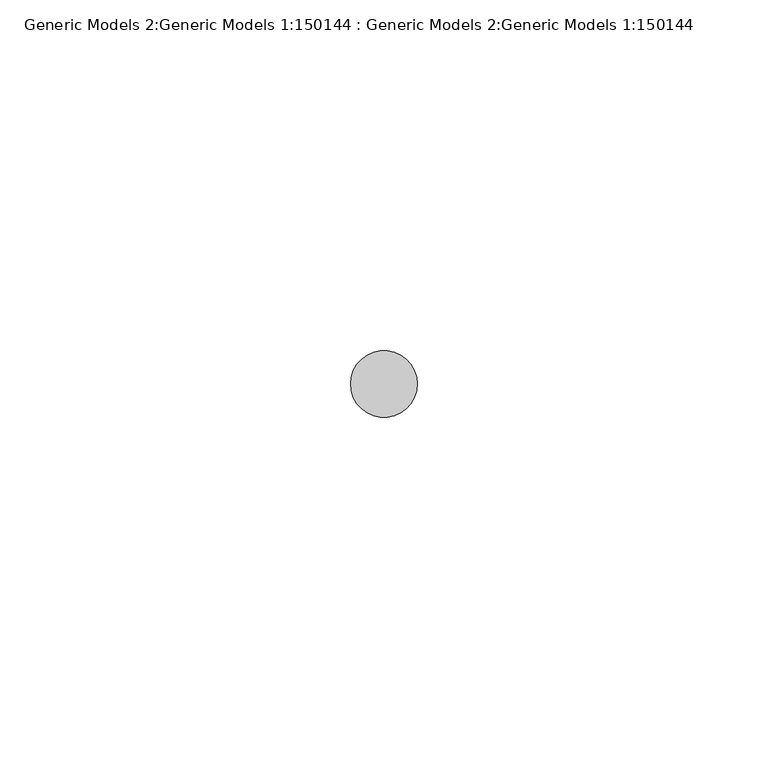
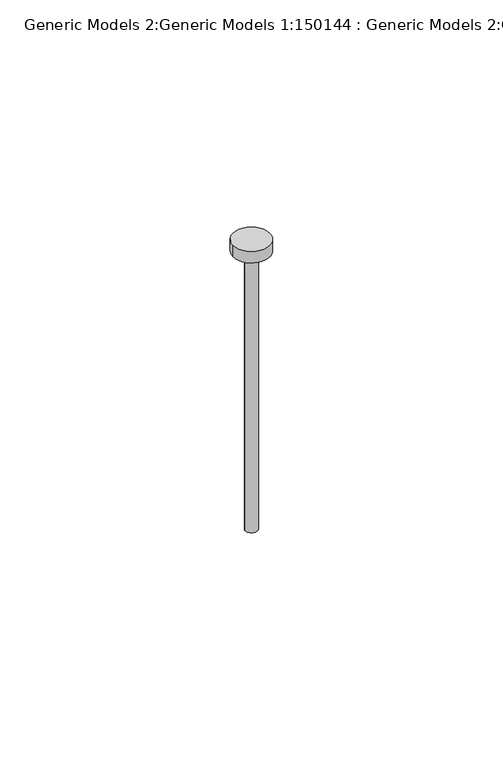
"""IFC4 building model written with IfcOpenShell, lengths in millimetres: proxy geometry, Generic Models 2:Generic Models 1:150144 : Generic Models 2:Generic Models 1:150144."""

from ifc_helpers import new_model, si_unit, point, frame, origin, origin_with_axes, origin_2d, place, context, project, spatial, circle_curve, trimmed, segment, composite_curve, outline, extrude, source, transform, mapped, element, save


def generic_models_2_generic_models_1_150144_generic_models_2_779fe50f(model_context):
    return source(origin(), model_context, "Body", "SweptSolid", [
        extrude(outline(composite_curve([segment(trimmed(circle_curve(origin_2d(), 4.7625), [point((-4.7625, 0.0))], [point((4.7625, 0.0))], False, "CARTESIAN"), True, "CONTINUOUS"), segment(trimmed(circle_curve(origin_2d(), 4.7625), [point((4.7625, 0.0))], [point((-4.7625, 0.0))], False, "CARTESIAN"), True, "CONTINUOUS")], self_intersect=False)), frame((0.0, 0.0, 76.2), z_axis=(0.0, 0.0, 1.0), x_axis=(1.0, 0.0, 0.0)), (0.0, 0.0, 1.0), 3.175),
        extrude(outline(composite_curve([segment(trimmed(circle_curve(origin_2d(), 1.5875), [point((-1.5875, 0.0))], [point((1.5875, 0.0))], False, "CARTESIAN"), True, "CONTINUOUS"), segment(trimmed(circle_curve(origin_2d(), 1.5875), [point((1.5875, 0.0))], [point((-1.5875, 0.0))], False, "CARTESIAN"), True, "CONTINUOUS")], self_intersect=False)), origin_with_axes(), (0.0, 0.0, 1.0), 76.2),
    ])


if __name__ == "__main__":
    model = new_model("IFC4")
    model_context = context("Model", 3, world=origin())
    ifc_project = project(units=[si_unit("LENGTHUNIT", "METRE", prefix="MILLI")], contexts=[model_context])
    site = spatial("IfcSite", under=ifc_project)
    building = spatial("IfcBuilding", under=site)
    placement = place(None, origin())
    generic_models_2_generic_models_1_150144_generic_models_2_shape = generic_models_2_generic_models_1_150144_generic_models_2_779fe50f(model_context)
    element("IfcBuildingElementProxy", 1, Name="Generic Models 2:Generic Models 1:150144 : Generic Models 2:Generic Models 1:150144", ObjectType="Generic Models 2:Generic Models 1:150144 : Generic Models 2:Generic Models 1:150144", at=placement, inside=building, context=model_context, shape_type="MappedRepresentation", body=[
        mapped(generic_models_2_generic_models_1_150144_generic_models_2_shape, transform((0.0, 0.0, 0.0), x_axis=(1.0, 0.0, 0.0), y_axis=(0.0, 1.0, 0.0), z_axis=(0.0, 0.0, 1.0))),
    ])
    save(model, "model.ifc")
